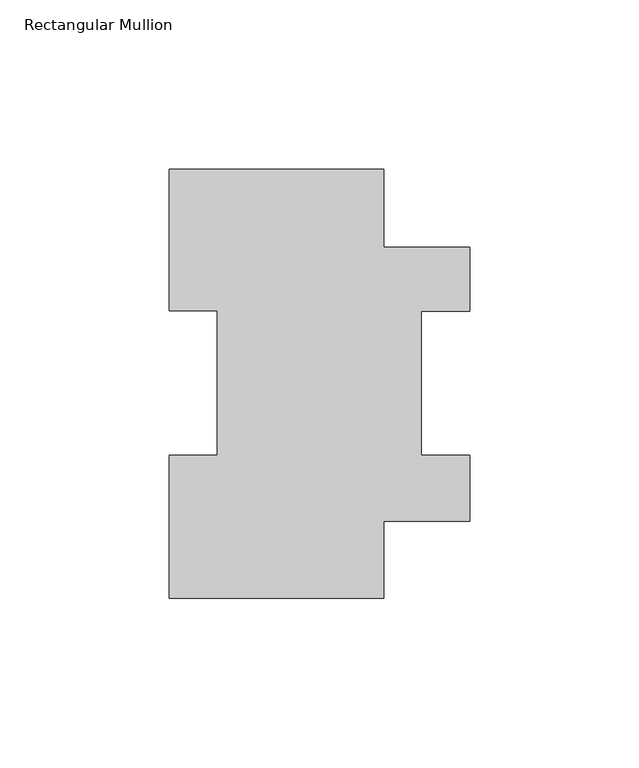
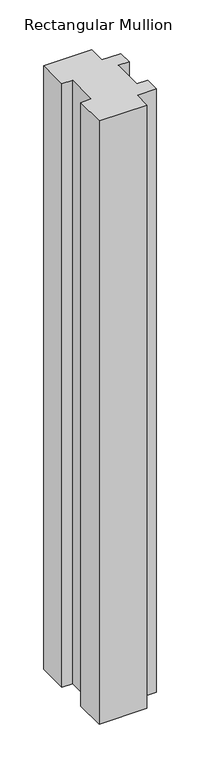
"""IFC4 building model written with IfcOpenShell, lengths in millimetres: member geometry, Rectangular Mullion."""

from ifc_helpers import new_model, si_unit, frame, origin, place, context, project, spatial, polyline, outline, extrude, source, transform, mapped, element, save


def rectangular_mullion_7ab2650f(model_context):
    return source(origin(), model_context, "Body", "SweptSolid", [
        extrude(outline(polyline([(44.45, 103.9296055), (44.45, 84.8796055), (30.16504, 84.8796055), (30.16504, 42.2798875), (44.45, 42.2798875), (44.45, 22.7980875), (19.05, 22.7980875), (19.05, -0.0111125), (-44.45, -0.0111125), (-44.45, 42.2798875), (-30.16504, 42.2798875), (-30.16504, 85.1296875), (-44.45, 85.1296875), (-44.45, 126.9888875), (19.05, 126.9888875), (19.05, 103.9296055), (44.45, 103.9296055)])), frame((0.0, 0.0, -844.55), z_axis=(0.0, 0.0, 1.0), x_axis=(1.0, 0.0, 0.0)), (0.0, 0.0, 1.0), 844.55),
    ])


if __name__ == "__main__":
    model = new_model("IFC4")
    model_context = context("Model", 3, world=origin())
    ifc_project = project(units=[si_unit("LENGTHUNIT", "METRE", prefix="MILLI")], contexts=[model_context])
    site = spatial("IfcSite", under=ifc_project)
    building = spatial("IfcBuilding", under=site)
    placement = place(None, origin())
    rectangular_mullion_shape = rectangular_mullion_7ab2650f(model_context)
    element("IfcMember", 1, ObjectType="Rectangular Mullion", at=placement, inside=building, context=model_context, shape_type="MappedRepresentation", body=[
        mapped(rectangular_mullion_shape, transform((0.0, 0.0, 0.0), x_axis=(1.0, 0.0, 0.0), y_axis=(0.0, 1.0, 0.0), z_axis=(0.0, 0.0, 1.0))),
    ])
    save(model, "model.ifc")
